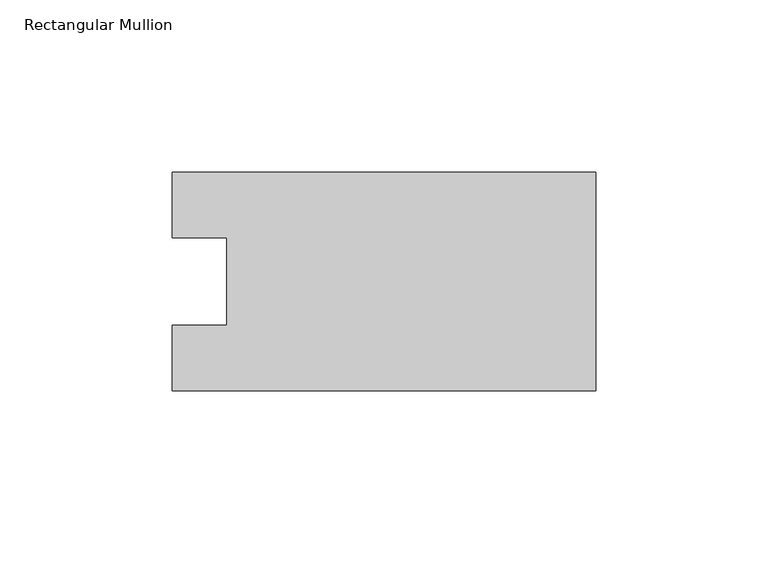
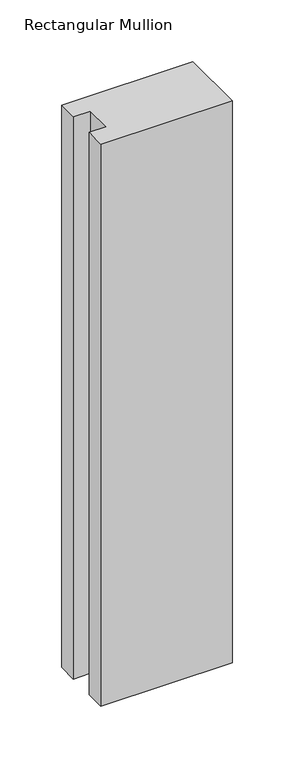
"""IFC4 building model written with IfcOpenShell, lengths in millimetres: member geometry, Rectangular Mullion."""

from ifc_helpers import new_model, si_unit, frame, origin, place, context, project, spatial, polyline, outline, extrude, source, transform, mapped, element, save


def rectangular_mullion_745fc6b5(model_context):
    return source(origin(), model_context, "Body", "SweptSolid", [
        extrude(outline(polyline([(-122.9357968, 31.7489583), (0.0, 31.7489583), (0.0, -31.7489583), (-122.9357968, -31.7489583), (-122.9357968, -12.7), (-107.0607968, -12.7), (-107.0607968, 12.7), (-122.9357968, 12.7), (-122.9357968, 31.7489583)])), frame((0.0, 0.0, -556.5267), z_axis=(0.0, 0.0, 1.0), x_axis=(1.0, 0.0, 0.0)), (0.0, 0.0, 1.0), 556.5267),
    ])


if __name__ == "__main__":
    model = new_model("IFC4")
    model_context = context("Model", 3, world=origin())
    ifc_project = project(units=[si_unit("LENGTHUNIT", "METRE", prefix="MILLI")], contexts=[model_context])
    site = spatial("IfcSite", under=ifc_project)
    building = spatial("IfcBuilding", under=site)
    placement = place(None, origin())
    rectangular_mullion_shape = rectangular_mullion_745fc6b5(model_context)
    element("IfcMember", 1, ObjectType="Rectangular Mullion", at=placement, inside=building, context=model_context, shape_type="MappedRepresentation", body=[
        mapped(rectangular_mullion_shape, transform((0.0, 0.0, 0.0), x_axis=(1.0, 0.0, 0.0), y_axis=(0.0, 1.0, 0.0), z_axis=(0.0, 0.0, 1.0))),
    ])
    save(model, "model.ifc")
